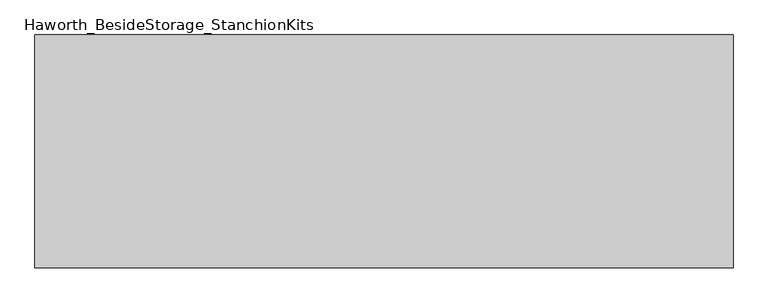
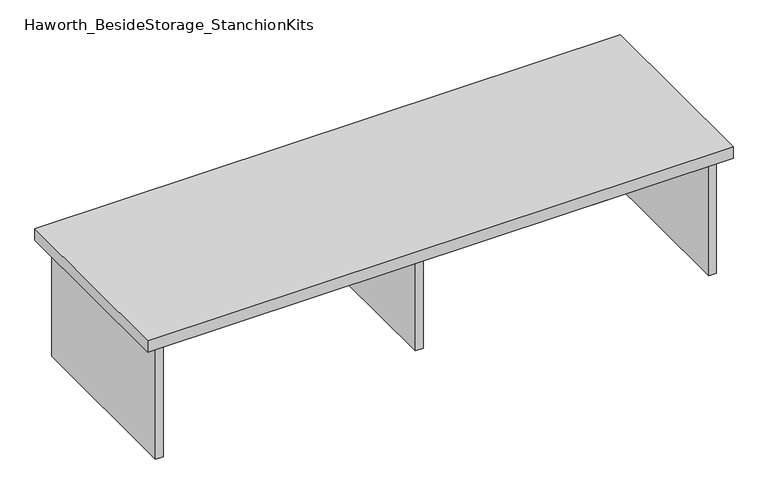
"""IFC4 building model written with IfcOpenShell, lengths in millimetres: furniture geometry, Haworth_BesideStorage_StanchionKits."""

from ifc_helpers import new_model, si_unit, frame, origin, place, context, project, spatial, polyline, outline, extrude, source, transform, mapped, element, save


def haworth_besidestorage_stanchionkits_0e49a606(model_context):
    return source(origin(), model_context, "Body", "SweptSolid", [
        extrude(outline(polyline([(771.525, 0.0), (771.525, -406.4), (-447.675, -406.4), (-447.675, 0.0), (771.525, 0.0)])), frame((0.0, 0.0, 685.8), z_axis=(0.0, 0.0, 1.0), x_axis=(1.0, 0.0, 0.0)), (0.0, 0.0, 1.0), 25.4),
        extrude(outline(polyline([(169.8625, -76.2), (730.25, -76.2), (730.25, -92.075), (169.8625, -92.075), (169.8625, -76.2)])), frame((0.0, 0.0, 431.8), z_axis=(0.0, 0.0, 1.0), x_axis=(1.0, 0.0, 0.0)), (0.0, 0.0, 1.0), 254.0),
        extrude(outline(polyline([(169.8625, -330.2), (153.9875, -330.2), (153.9875, -76.2), (169.8625, -76.2), (169.8625, -330.2)])), frame((0.0, 0.0, 431.8), z_axis=(0.0, 0.0, 1.0), x_axis=(1.0, 0.0, 0.0)), (0.0, 0.0, 1.0), 254.0),
        extrude(outline(polyline([(746.125, -390.525), (730.25, -390.525), (730.25, -15.875), (746.125, -15.875), (746.125, -390.525)])), frame((0.0, 0.0, 431.8), z_axis=(0.0, 0.0, 1.0), x_axis=(1.0, 0.0, 0.0)), (0.0, 0.0, 1.0), 254.0),
        extrude(outline(polyline([(-406.4, -390.525), (-422.275, -390.525), (-422.275, -15.875), (-406.4, -15.875), (-406.4, -390.525)])), frame((0.0, 0.0, 431.8), z_axis=(0.0, 0.0, 1.0), x_axis=(1.0, 0.0, 0.0)), (0.0, 0.0, 1.0), 254.0),
    ])


if __name__ == "__main__":
    model = new_model("IFC4")
    model_context = context("Model", 3, world=origin())
    ifc_project = project(units=[si_unit("LENGTHUNIT", "METRE", prefix="MILLI")], contexts=[model_context])
    site = spatial("IfcSite", under=ifc_project)
    building = spatial("IfcBuilding", under=site)
    placement = place(None, origin())
    haworth_besidestorage_stanchionkits_shape = haworth_besidestorage_stanchionkits_0e49a606(model_context)
    element("IfcFurniture", 1, ObjectType="Haworth_BesideStorage_StanchionKits", at=placement, inside=building, context=model_context, shape_type="MappedRepresentation", body=[
        mapped(haworth_besidestorage_stanchionkits_shape, transform((0.0, 0.0, 0.0), x_axis=(1.0, 0.0, 0.0), y_axis=(0.0, 1.0, 0.0), z_axis=(0.0, 0.0, 1.0))),
    ])
    save(model, "model.ifc")
